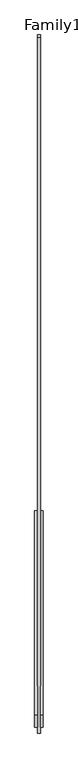
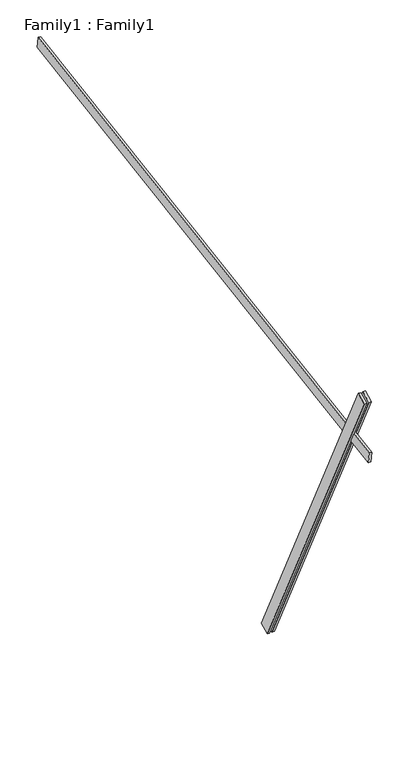
"""IFC4 building model written with IfcOpenShell, lengths in millimetres: proxy geometry, Family1 : Family1."""

from ifc_helpers import new_model, si_unit, frame, origin, place, context, project, spatial, polyline, outline, extrude, source, transform, mapped, element, save


def family1_family1_56f2e517(model_context):
    return source(origin(), model_context, "Body", "SweptSolid", [
        extrude(outline(polyline([(0.0, 0.0), (-100.0000001, 0.0), (-100.0000001, 20.0), (0.0, 20.0), (0.0, 0.0)])), frame((-30.0, -46.3241747, -22.5938096), z_axis=(0.0, -0.4383711467890692, 0.8987940462991711), x_axis=(0.0, -0.8987940462991711, -0.4383711467890692)), (0.0, 0.0, 1.0), 3300.0),
        extrude(outline(polyline([(0.0, 0.0), (-99.9999999, 0.0), (-99.9999999, 20.0), (0.0, 20.0), (0.0, 0.0)])), frame((10.0, -45.270232, -22.0797674), z_axis=(0.0, -0.4383711467890692, 0.8987940462991711), x_axis=(0.0, -0.8987940462991711, -0.4383711467890692)), (0.0, 0.0, 1.0), 3300.0),
        extrude(outline(polyline([(0.0, 20.0), (5000.0, 20.0), (5000.0, 0.0), (0.0, 0.0), (0.0, 20.0)])), frame((-10.0, 3420.8015594, 3202.2090863), z_axis=(0.0, -0.1564344650402334, 0.9876883405951374), x_axis=(0.0, -0.9876883405951374, -0.1564344650402334)), (0.0, 0.0, 1.0), 100.0),
    ])


if __name__ == "__main__":
    model = new_model("IFC4")
    model_context = context("Model", 3, world=origin())
    ifc_project = project(units=[si_unit("LENGTHUNIT", "METRE", prefix="MILLI")], contexts=[model_context])
    site = spatial("IfcSite", under=ifc_project)
    building = spatial("IfcBuilding", under=site)
    placement = place(None, origin())
    family1_family1_shape = family1_family1_56f2e517(model_context)
    element("IfcBuildingElementProxy", 1, Name="Family1 : Family1", ObjectType="Family1 : Family1", at=placement, inside=building, context=model_context, shape_type="MappedRepresentation", body=[
        mapped(family1_family1_shape, transform((0.0, 0.0, 0.0), x_axis=(1.0, 0.0, 0.0), y_axis=(0.0, 1.0, 0.0), z_axis=(0.0, 0.0, 1.0))),
    ])
    save(model, "model.ifc")
